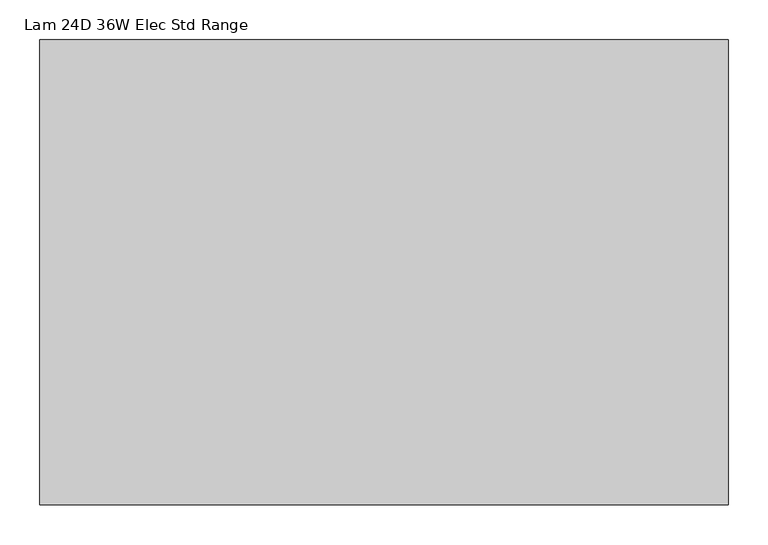
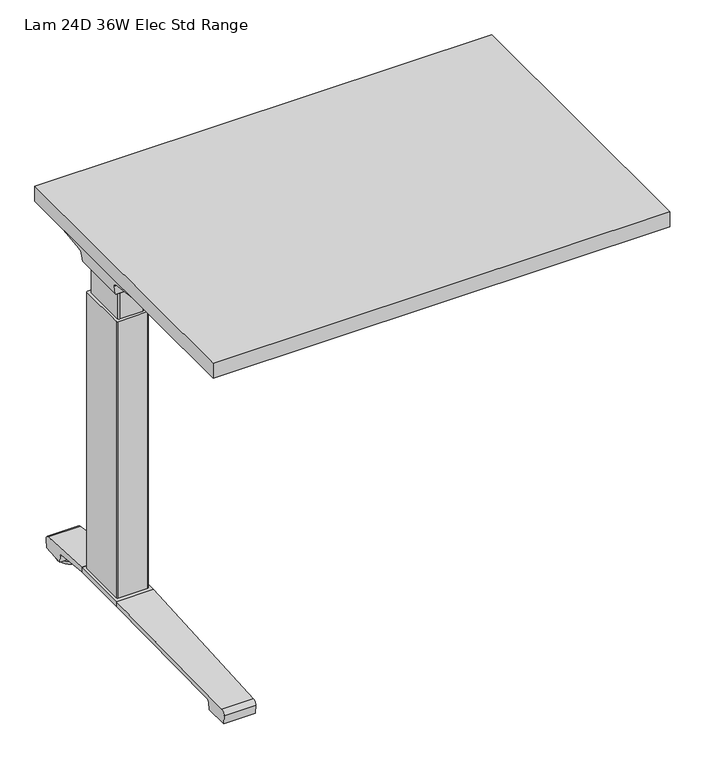
"""IFC4 building model written with IfcOpenShell, lengths in millimetres: furniture geometry, Lam 24D 36W Elec Std Range."""

from ifc_helpers import new_model, si_unit, point, frame, frame_2d, origin, place, context, project, spatial, polyline, circle_curve, ellipse_curve, trimmed, segment, composite_curve, outline, extrude, source, transform, mapped, element, save
from ifc_brep_helpers import plane_surface, cylinder_surface, revolved_surface, advanced_brep


def lam_24d_36w_elec_std_range_5bda7f7e(model_context):
    return source(origin(), model_context, "Body", "SolidModel", [
        extrude(outline(polyline([(430.276, 290.576), (430.276, -290.576), (-430.276, -290.576), (-430.276, 290.576), (430.276, 290.576)])), frame((0.0, 0.0, 707.009), z_axis=(0.0, 0.0, 1.0), x_axis=(1.0, 0.0, 0.0)), (0.0, 0.0, 1.0), 29.591),
        advanced_brep(
        [(-413.9406297, 162.7292702, 658.5915733), (-248.2122138, 162.7292702, 658.5915733), (-262.5924181, 160.5008169, 655.9442785), (-411.4518591, 160.5008169, 655.9442785), (-414.1625278, 162.738256, 658.8276054), (-416.5619089, 163.3822827, 675.7443054), (-233.7773962, 163.3822827, 675.7443054), (-233.7773962, 163.0342965, 666.6037253), (-236.6075093, 162.9531058, 664.4710821), (-236.7501644, 162.8754397, 662.4310191), (-417.4185362, 168.8493181, 681.7839076), (-233.7773962, 168.8493181, 681.7839076), (-419.9393767, 283.4205225, 699.5569507), (-355.7243442, 283.4205225, 699.5569507), (-233.7773962, 202.6158, 687.0219877), (-420.0128152, 287.1965275, 700.0747243), (-361.4229255, 287.1965275, 700.0747243), (-420.6871296, 288.7067839, 704.8289399), (-418.9021288, 286.1298888, 707.009), (-359.8132011, 286.1298888, 707.009), (-420.6871296, -70.2667839, 704.8289399), (-420.0128152, -68.7565275, 700.0747243), (-361.4229255, -68.7565275, 700.0747243), (-359.8132011, -67.6898888, 707.009), (-418.9021288, -67.6898888, 707.009), (-419.9393767, -64.9805225, 699.5569507), (-355.7243442, -64.9805225, 699.5569507), (-417.4185362, 49.5906819, 681.7839076), (-233.7773962, 49.5906819, 681.7839076), (-233.7773962, 15.8242, 687.0219877), (-416.5619089, 55.0577173, 675.7443054), (-233.7773962, 55.0577173, 675.7443054), (-414.1625278, 55.701744, 658.8276054), (-413.9406297, 55.7107298, 658.5915733), (-248.2122138, 55.7107298, 658.5915733), (-236.7501644, 55.5645603, 662.4310191), (-236.6075093, 55.4868942, 664.4710821), (-233.7773962, 55.4057035, 666.6037253), (-411.4518591, 57.9391831, 655.9442785), (-262.5924181, 57.9391831, 655.9442785), (-233.7773962, 15.8242, 707.009), (-233.7773962, 202.6158, 707.009)],
        [
            (0, 1),
            (1, 2, ellipse_curve(frame((-272.4936465, 239.7670009, 750.1086722), z_axis=(0.0, 0.7650318638532662, -0.6439924279750482), x_axis=(0.0, 0.6439924279750482, 0.7650318638532662)), 123.7641411, 94.6835116)),
            (2, 3),
            (3, 0),
            (0, 4),
            (4, 5),
            (5, 6),
            (6, 7),
            (7, 8),
            (8, 9),
            (9, 1, ellipse_curve(frame((-272.4936465, 166.2133686, 750.1086722), z_axis=(0.0, 0.999276106683639, -0.03804290487316255), x_axis=(0.0, 0.03804290487316397, 0.999276106683639)), 94.752102, 94.6835116)),
            (5, 10, ellipse_curve(frame((-416.5119691, 169.8408409, 675.3922075), z_axis=(-0.990090671484964, 0.0, -0.14042956326377007), x_axis=(-0.1404295632637696, 0.0, 0.990090671484964)), 6.5328852, 6.4681487)),
            (10, 11),
            (11, 6, circle_curve(frame((-233.7773962, 169.8408409, 675.3922075), z_axis=(1.0, 0.0, 0.0), x_axis=(0.0, 1.0, 0.0)), 6.4681487)),
            (10, 12),
            (12, 13),
            (13, 14),
            (14, 11),
            (12, 15),
            (15, 16),
            (16, 13),
            (15, 17, ellipse_curve(frame((-420.4730772, 285.2194111, 703.3197755), z_axis=(0.990090671484964, 0.0, 0.14042956326377007), x_axis=(0.1404295632637696, 0.0, -0.990090671484964)), 3.8379455, 3.7999141)),
            (17, 18, ellipse_curve(frame((-421.922811, 285.2194111, 703.3197755), z_axis=(0.7737284588433301, 0.0, -0.6335173809580328), x_axis=(0.6335173809580328, 0.0, 0.77372845884333)), 4.9111727, 3.7999141)),
            (18, 19),
            (19, 16, ellipse_curve(frame((-358.439148, 285.2194111, 703.3197755), z_axis=(-0.5523637579767777, -0.8336031902972613, 0.0), x_axis=(0.8336031902972612, -0.5523637579767778, 0.0)), 6.8793689, 3.7999141)),
            (20, 21, ellipse_curve(frame((-420.4730772, -66.7794111, 703.3197755), z_axis=(0.990090671484964, 0.0, 0.14042956326377007), x_axis=(0.1404295632637696, 0.0, -0.990090671484964)), 3.8379455, 3.7999141)),
            (21, 22),
            (22, 23, ellipse_curve(frame((-358.439148, -66.7794111, 703.3197755), z_axis=(-0.5523637579750462, 0.8336031902984086, 0.0), x_axis=(0.8336031902984083, 0.5523637579750462, 0.0)), 6.8793689, 3.7999141)),
            (23, 24),
            (24, 20, ellipse_curve(frame((-421.922811, -66.7794111, 703.3197755), z_axis=(0.7737284588433301, 0.0, -0.6335173809580328), x_axis=(0.6335173809580328, 0.0, 0.77372845884333)), 4.9111727, 3.7999141)),
            (21, 25),
            (25, 26),
            (26, 22),
            (27, 28),
            (28, 29),
            (29, 26),
            (25, 27),
            (27, 30, ellipse_curve(frame((-416.5119691, 48.5991591, 675.3922075), z_axis=(-0.990090671484964, 0.0, -0.14042956326377007), x_axis=(-0.1404295632637696, 0.0, 0.990090671484964)), 6.5328852, 6.4681487)),
            (30, 31),
            (31, 28, circle_curve(frame((-233.7773962, 48.5991591, 675.3922075), z_axis=(1.0, 0.0, 0.0), x_axis=(0.0, 1.0, 0.0)), 6.4681487)),
            (30, 32),
            (32, 33),
            (33, 34),
            (34, 35, ellipse_curve(frame((-272.4936465, 52.2266314, 750.1086722), z_axis=(0.0, -0.9992761066836363, -0.03804290487323539), x_axis=(0.0, 0.03804290487323121, -0.9992761066836364)), 94.752102, 94.6835116)),
            (35, 36),
            (36, 37),
            (37, 31),
            (33, 38),
            (38, 39),
            (39, 34, ellipse_curve(frame((-272.4936465, -21.3270009, 750.1086722), z_axis=(0.0, -0.7650318638534733, -0.643992427974802), x_axis=(0.0, 0.643992427974802, -0.7650318638534732)), 123.7641411, 94.6835116)),
            (4, 32),
            (20, 17),
            (24, 18),
            (23, 40),
            (40, 41),
            (41, 19),
            (37, 7),
            (14, 41),
            (40, 29),
            (36, 8),
            (35, 9),
            (39, 2),
            (38, 3),
        ],
        [
            plane_surface(frame((-436.9773962, 160.5008169, 655.9442785), z_axis=(0.0, 0.7650318638532662, -0.6439924279750482), x_axis=(1.0, 0.0, 0.0))),
            plane_surface(frame((-436.9773962, 162.7292702, 658.5915733), z_axis=(0.0, 0.999276106683639, -0.03804290487316255), x_axis=(1.0, 0.0, 0.0))),
            revolved_surface(polyline([(-417.42937931548835, 176.3089896, 675.3922075), (-233.7773962, 176.3089896, 675.3922075)]), (-436.9773962, 169.8408409, 675.3922075), (-1.0, 0.0, 0.0)),
            plane_surface(frame((-436.9773962, 168.8493181, 681.7839076), z_axis=(0.0, 0.153293135871396, -0.9881807600306302), x_axis=(1.0, 0.0, 0.0))),
            plane_surface(frame((-436.9773962, 283.4205225, 699.5569507), z_axis=(0.0, 0.13585085469026903, -0.9907292996979162), x_axis=(1.0, 0.0, 0.0))),
            cylinder_surface(frame((-436.9773962, 285.2194111, 703.3197755), z_axis=(1.0, 0.0, 0.0), x_axis=(0.0, 1.0, 0.0)), 3.7999141),
            cylinder_surface(frame((-436.9773962, -66.7794111, 703.3197755), z_axis=(1.0, 0.0, 0.0), x_axis=(0.0, 1.0, 0.0)), 3.7999141),
            plane_surface(frame((-436.9773962, -68.7565275, 700.0747243), z_axis=(0.0, -0.13585085468791205, -0.9907292996982394), x_axis=(1.0, 0.0, 0.0))),
            plane_surface(frame((-436.9773962, -64.9805225, 699.5569507), z_axis=(0.0, -0.1532931358714066, -0.9881807600306285), x_axis=(1.0, 0.0, 0.0))),
            revolved_surface(polyline([(-417.42937931548835, 55.0673078, 675.3922075), (-233.7773962, 55.0673078, 675.3922075)]), (-436.9773962, 48.5991591, 675.3922075), (-1.0, 0.0, 0.0)),
            plane_surface(frame((-436.9773962, 55.0577173, 675.7443054), z_axis=(0.0, -0.9992761066836363, -0.03804290487323539), x_axis=(1.0, 0.0, 0.0))),
            plane_surface(frame((-436.9773962, 55.7107298, 658.5915733), z_axis=(0.0, -0.7650318638534733, -0.643992427974802), x_axis=(1.0, 0.0, 0.0))),
            plane_surface(frame((-414.1625278, 299.72, 658.8276054), z_axis=(-0.990090671484964, 0.0, -0.14042956326377007), x_axis=(0.0, -1.0, 0.0))),
            plane_surface(frame((-420.6871296, 299.72, 704.8289399), z_axis=(-0.7737284588433301, 0.0, 0.6335173809580328), x_axis=(0.0, -1.0, 0.0))),
            plane_surface(frame((-418.9021288, 299.72, 707.009), z_axis=(0.0, 0.0, 1.0), x_axis=(0.0, -1.0, 0.0))),
            plane_surface(frame((-233.7773962, 299.72, 707.009), z_axis=(1.0, 0.0, 0.0), x_axis=(0.0, -1.0, 0.0))),
            plane_surface(frame((-233.7773962, 299.72, 666.6037253), z_axis=(0.6018150231516275, 0.0, -0.7986355100476099), x_axis=(0.0, -1.0, 0.0))),
            plane_surface(frame((-236.6075093, 299.72, 664.4710821), z_axis=(0.9975640502600401, 0.0, -0.06975647374103827), x_axis=(0.0, -1.0, 0.0))),
            cylinder_surface(frame((-272.4936465, 299.72, 750.1086722), z_axis=(0.0, 1.0, 0.0), x_axis=(1.0, 0.0, 0.0)), 94.6835116),
            plane_surface(frame((-262.5924181, 299.72, 655.9442785), z_axis=(0.0, 0.0, -1.0), x_axis=(0.0, -1.0, 0.0))),
            plane_surface(frame((-411.4518591, 299.72, 655.9442785), z_axis=(-0.728584606419653, 0.0, -0.6849558170337118), x_axis=(0.0, -1.0, 0.0))),
            plane_surface(frame((-380.3228017, 299.72, 707.009), z_axis=(0.5523637579767777, 0.8336031902972613, 0.0), x_axis=(0.0, 0.0, -1.0))),
            plane_surface(frame((-233.7773962, 15.8242, 707.009), z_axis=(0.5523637579750462, -0.8336031902984086, 0.0), x_axis=(0.0, 0.0, -1.0))),
        ],
        [
            (0, [[1, 2, 3, 4]]),
            (1, [[-1, 5, 6, 7, 8, 9, 10, 11]]),
            (2, [[-7, 12, 13, 14]]),
            (3, [[-13, 15, 16, 17, 18]]),
            (4, [[19, 20, 21, -16]]),
            (5, [[22, 23, 24, 25, -20]]),
            (6, [[26, 27, 28, 29, 30]]),
            (7, [[31, 32, 33, -27]]),
            (8, [[34, 35, 36, -32, 37]]),
            (9, [[-34, 38, 39, 40]]),
            (10, [[-39, 41, 42, 43, 44, 45, 46, 47]]),
            (11, [[-43, 48, 49, 50]]),
            (12, [[51, -41, -38, -37, -31, -26, 52, -22, -19, -15, -12, -6]]),
            (13, [[-52, -30, 53, -23]]),
            (14, [[-53, -29, 54, 55, 56, -24]]),
            (15, [[57, -8, -14, -18, 58, -55, 59, -35, -40, -47]]),
            (16, [[-57, -46, 60, -9]]),
            (17, [[-60, -45, 61, -10]]),
            (18, [[-61, -44, -50, 62, -2, -11]]),
            (19, [[-62, -49, 63, -3]]),
            (20, [[-51, -5, -4, -63, -48, -42]]),
            (21, [[-56, -58, -17, -21, -25]]),
            (22, [[-54, -28, -33, -36, -59]]),
        ],
    ),
        advanced_brep(
        [(248.2122138, 162.7292702, 658.5915733), (413.9406297, 162.7292702, 658.5915733), (411.4518591, 160.5008169, 655.9442785), (262.5924181, 160.5008169, 655.9442785), (236.7501644, 162.8754397, 662.4310191), (236.6075093, 162.9531058, 664.4710821), (233.9619573, 163.0290018, 666.4646485), (233.9619573, 163.3822827, 675.7443054), (416.5619089, 163.3822827, 675.7443054), (414.1625278, 162.738256, 658.8276054), (233.9619573, 168.8493181, 681.7839076), (417.4185362, 168.8493181, 681.7839076), (233.9619573, 202.6089953, 687.0209321), (355.7570453, 283.4205225, 699.5569507), (419.9393767, 283.4205225, 699.5569507), (420.0128152, 287.1965275, 700.0747243), (361.4480509, 287.1965275, 700.0747243), (420.6871296, 288.7067839, 704.8289399), (359.8404665, 286.1298888, 707.009), (418.9021288, 286.1298888, 707.009), (420.0128152, -68.7565275, 700.0747243), (420.6871296, -70.2667839, 704.8289399), (418.9021288, -67.6898888, 707.009), (359.8404665, -67.6898888, 707.009), (361.4480509, -68.7565275, 700.0747243), (419.9393767, -64.9805225, 699.5569507), (355.7570453, -64.9805225, 699.5569507), (233.9619573, 49.5906819, 681.7839076), (417.4185362, 49.5906819, 681.7839076), (233.9619573, 15.8310047, 687.0209321), (233.9619573, 55.0577173, 675.7443054), (416.5619089, 55.0577173, 675.7443054), (233.9619573, 55.4109982, 666.4646485), (236.6075093, 55.4868942, 664.4710821), (236.7501644, 55.5645603, 662.4310191), (248.2122138, 55.7107298, 658.5915733), (413.9406297, 55.7107298, 658.5915733), (414.1625278, 55.701744, 658.8276054), (262.5924181, 57.9391831, 655.9442785), (411.4518591, 57.9391831, 655.9442785), (233.9619573, 202.6089953, 707.009), (233.9619573, 15.8310047, 707.009)],
        [
            (0, 1),
            (1, 2),
            (2, 3),
            (3, 0, ellipse_curve(frame((272.4936465, 239.7670009, 750.1086722), z_axis=(0.0, 0.7650318638532565, -0.6439924279750596), x_axis=(0.0, -0.6439924279750596, -0.7650318638532564)), 123.7641411, 94.6835116)),
            (0, 4, ellipse_curve(frame((272.4936465, 166.2133686, 750.1086722), z_axis=(0.0, 0.9992761066836392, -0.03804290487315862), x_axis=(0.0, -0.03804290487315623, -0.9992761066836393)), 94.752102, 94.6835116)),
            (4, 5),
            (5, 6),
            (6, 7),
            (7, 8),
            (8, 9),
            (9, 1),
            (7, 10, circle_curve(frame((233.9619573, 169.8408409, 675.3922075), z_axis=(-1.0, 0.0, 0.0), x_axis=(0.0, 1.0, 0.0)), 6.4681487)),
            (10, 11),
            (11, 8, ellipse_curve(frame((416.5119691, 169.8408409, 675.3922075), z_axis=(0.9900906714849659, 0.0, -0.1404295632637567), x_axis=(-0.1404295632637562, 0.0, -0.9900906714849659)), 6.5328852, 6.4681487)),
            (10, 12),
            (12, 13),
            (13, 14),
            (14, 11),
            (15, 14),
            (13, 16),
            (16, 15),
            (17, 15, ellipse_curve(frame((420.4730772, 285.2194111, 703.3197755), z_axis=(-0.9900906714849659, 0.0, 0.1404295632637567), x_axis=(0.1404295632637562, 0.0, 0.9900906714849659)), 3.8379455, 3.7999141)),
            (16, 18, ellipse_curve(frame((358.46824, 285.2194111, 703.3197755), z_axis=(0.5528743936295599, -0.833264606753909, 0.0), x_axis=(0.8332646067539088, 0.5528743936295599, 0.0)), 6.8730151, 3.7999141)),
            (18, 19),
            (19, 17, ellipse_curve(frame((421.922811, 285.2194111, 703.3197755), z_axis=(-0.7737284588399557, 0.0, -0.633517380962154), x_axis=(0.6335173809621538, 0.0, -0.7737284588399556)), 4.9111727, 3.7999141)),
            (20, 21, ellipse_curve(frame((420.4730772, -66.7794111, 703.3197755), z_axis=(-0.9900906714849659, 0.0, 0.1404295632637567), x_axis=(0.1404295632637562, 0.0, 0.9900906714849659)), 3.8379455, 3.7999141)),
            (21, 22, ellipse_curve(frame((421.922811, -66.7794111, 703.3197755), z_axis=(-0.7737284588399557, 0.0, -0.633517380962154), x_axis=(0.6335173809621538, 0.0, -0.7737284588399556)), 4.9111727, 3.7999141)),
            (22, 23),
            (23, 24, ellipse_curve(frame((358.46824, -66.7794111, 703.3197755), z_axis=(0.5528743936295385, 0.8332646067539232, 0.0), x_axis=(0.8332646067539231, -0.5528743936295386, 0.0)), 6.8730151, 3.7999141)),
            (24, 20),
            (25, 20),
            (24, 26),
            (26, 25),
            (27, 28),
            (28, 25),
            (26, 29),
            (29, 27),
            (27, 30, circle_curve(frame((233.9619573, 48.5991591, 675.3922075), z_axis=(-1.0, 0.0, 0.0), x_axis=(0.0, 1.0, 0.0)), 6.4681487)),
            (30, 31),
            (31, 28, ellipse_curve(frame((416.5119691, 48.5991591, 675.3922075), z_axis=(0.9900906714849659, 0.0, -0.1404295632637567), x_axis=(-0.1404295632637562, 0.0, -0.9900906714849659)), 6.5328852, 6.4681487)),
            (30, 32),
            (32, 33),
            (33, 34),
            (34, 35, ellipse_curve(frame((272.4936465, 52.2266314, 750.1086722), z_axis=(0.0, -0.9992761066836363, -0.03804290487323539), x_axis=(0.0, -0.03804290487323121, 0.9992761066836364)), 94.752102, 94.6835116)),
            (35, 36),
            (36, 37),
            (37, 31),
            (35, 38, ellipse_curve(frame((272.4936465, -21.3270009, 750.1086722), z_axis=(0.0, -0.7650318638534733, -0.643992427974802), x_axis=(0.0, -0.643992427974802, 0.7650318638534732)), 123.7641411, 94.6835116)),
            (38, 39),
            (39, 36),
            (37, 9),
            (17, 21),
            (19, 22),
            (18, 40),
            (40, 41),
            (41, 23),
            (6, 32),
            (29, 41),
            (40, 12),
            (5, 33),
            (4, 34),
            (3, 38),
            (2, 39),
        ],
        [
            plane_surface(frame((233.9619573, 160.5008169, 655.9442785), z_axis=(0.0, 0.7650318638532565, -0.6439924279750596), x_axis=(1.0, 0.0, 0.0))),
            plane_surface(frame((233.9619573, 162.7292702, 658.5915733), z_axis=(0.0, 0.9992761066836392, -0.03804290487315862), x_axis=(1.0, 0.0, 0.0))),
            revolved_surface(polyline([(233.9619573, 176.3089896, 675.3922075), (417.42937931548823, 176.3089896, 675.3922075)]), (233.9619573, 169.8408409, 675.3922075), (-1.0, 0.0, 0.0)),
            plane_surface(frame((233.9619573, 168.8493181, 681.7839076), z_axis=(0.0, 0.15329313587140309, -0.988180760030629), x_axis=(1.0, 0.0, 0.0))),
            plane_surface(frame((233.9619573, 283.4205225, 699.5569507), z_axis=(0.0, 0.1358508546900816, -0.9907292996979419), x_axis=(1.0, 0.0, 0.0))),
            cylinder_surface(frame((233.9619573, 285.2194111, 703.3197755), z_axis=(1.0, 0.0, 0.0), x_axis=(0.0, 1.0, 0.0)), 3.7999141),
            cylinder_surface(frame((233.9619573, -66.7794111, 703.3197755), z_axis=(1.0, 0.0, 0.0), x_axis=(0.0, 1.0, 0.0)), 3.7999141),
            plane_surface(frame((233.9619573, -68.7565275, 700.0747243), z_axis=(0.0, -0.1358508546877776, -0.9907292996982578), x_axis=(1.0, 0.0, 0.0))),
            plane_surface(frame((233.9619573, -64.9805225, 699.5569507), z_axis=(0.0, -0.15329313587141113, -0.9881807600306277), x_axis=(1.0, 0.0, 0.0))),
            revolved_surface(polyline([(233.9619573, 55.0673078, 675.3922075), (417.42937931548823, 55.0673078, 675.3922075)]), (233.9619573, 48.5991591, 675.3922075), (-1.0, 0.0, 0.0)),
            plane_surface(frame((233.9619573, 55.0577173, 675.7443054), z_axis=(0.0, -0.9992761066836363, -0.03804290487323539), x_axis=(1.0, 0.0, 0.0))),
            plane_surface(frame((233.9619573, 55.7107298, 658.5915733), z_axis=(0.0, -0.7650318638534733, -0.643992427974802), x_axis=(1.0, 0.0, 0.0))),
            plane_surface(frame((414.1625278, -81.28, 658.8276054), z_axis=(0.9900906714849659, 0.0, -0.1404295632637567), x_axis=(0.0, 1.0, 0.0))),
            plane_surface(frame((420.6871296, -81.28, 704.8289399), z_axis=(0.7737284588399557, 0.0, 0.633517380962154), x_axis=(0.0, 1.0, 0.0))),
            plane_surface(frame((418.9021288, -81.28, 707.009), z_axis=(0.0, 0.0, 1.0), x_axis=(0.0, 1.0, 0.0))),
            plane_surface(frame((233.9619573, -81.28, 707.009), z_axis=(-1.0, 0.0, 0.0), x_axis=(0.0, 1.0, 0.0))),
            plane_surface(frame((233.9619573, -81.28, 666.4646485), z_axis=(-0.6018150231540825, 0.0, -0.7986355100457599), x_axis=(0.0, 1.0, 0.0))),
            plane_surface(frame((236.6075093, -81.28, 664.4710821), z_axis=(-0.9975640502598242, 0.0, -0.06975647374412697), x_axis=(0.0, 1.0, 0.0))),
            cylinder_surface(frame((272.4936465, -81.28, 750.1086722), z_axis=(0.0, -1.0, 0.0), x_axis=(-1.0, 0.0, 0.0)), 94.6835116),
            plane_surface(frame((262.5924181, -81.28, 655.9442785), z_axis=(0.0, 0.0, -1.0), x_axis=(0.0, 1.0, 0.0))),
            plane_surface(frame((411.4518591, -81.28, 655.9442785), z_axis=(0.7285846064222696, 0.0, -0.6849558170309284), x_axis=(0.0, 1.0, 0.0))),
            plane_surface(frame((233.9619573, 202.6089953, 707.009), z_axis=(-0.5528743936295599, 0.833264606753909, 0.0), x_axis=(0.0, 0.0, -1.0))),
            plane_surface(frame((380.3228017, -81.28, 707.009), z_axis=(-0.5528743936295385, -0.8332646067539232, 0.0), x_axis=(0.0, 0.0, -1.0))),
        ],
        [
            (0, [[1, 2, 3, 4]]),
            (1, [[-1, 5, 6, 7, 8, 9, 10, 11]]),
            (2, [[-9, 12, 13, 14]]),
            (3, [[-13, 15, 16, 17, 18]]),
            (4, [[19, -17, 20, 21]]),
            (5, [[22, -21, 23, 24, 25]]),
            (6, [[26, 27, 28, 29, 30]]),
            (7, [[31, -30, 32, 33]]),
            (8, [[34, 35, -33, 36, 37]]),
            (9, [[-34, 38, 39, 40]]),
            (10, [[-39, 41, 42, 43, 44, 45, 46, 47]]),
            (11, [[-45, 48, 49, 50]]),
            (12, [[51, -10, -14, -18, -19, -22, 52, -26, -31, -35, -40, -47]]),
            (13, [[-52, -25, 53, -27]]),
            (14, [[-53, -24, 54, 55, 56, -28]]),
            (15, [[57, -41, -38, -37, 58, -55, 59, -15, -12, -8]]),
            (16, [[-57, -7, 60, -42]]),
            (17, [[-60, -6, 61, -43]]),
            (18, [[-61, -5, -4, 62, -48, -44]]),
            (19, [[-62, -3, 63, -49]]),
            (20, [[-51, -46, -50, -63, -2, -11]]),
            (21, [[-54, -23, -20, -16, -59]]),
            (22, [[-56, -58, -36, -32, -29]]),
        ],
    ),
        advanced_brep(
        [(-233.7773962, 187.9031697, 701.7794894), (-233.7773962, 189.6675242, 704.0075511), (-233.7773962, 200.6481225, 704.0075511), (-233.7773962, 201.3782919, 701.4093085), (-233.7773962, 179.9519108, 671.8462148), (-233.7773962, 162.5510914, 663.2452863), (-233.7773962, 55.7632156, 663.2452863), (-233.7773962, 38.1354217, 672.2997482), (-233.7773962, 16.8007138, 702.0706054), (-233.7773962, 18.4392766, 704.1266572), (-233.7773962, 28.6544098, 704.1266572), (-233.7773962, 30.5253848, 701.7794894), (-233.7773962, 29.7841637, 701.2423822), (-233.7773962, 28.2139363, 703.2122572), (-233.7773962, 18.5353238, 703.2122572), (-233.7773962, 17.7294351, 702.3444366), (-233.7773962, 38.8786744, 672.8323858), (-233.7773962, 55.7632156, 664.1598536), (-233.7773962, 162.5510914, 664.1596863), (-233.7773962, 179.21844, 672.3923713), (-233.7773962, 200.5721627, 701.8552144), (-233.7773962, 200.3148942, 703.0931511), (-233.7773962, 190.109809, 703.0931511), (-233.7773962, 188.6442719, 701.2424419), (233.9619573, 187.9031697, 701.7794894), (233.9619573, 188.6442719, 701.2424419), (233.9619573, 190.109809, 703.0931511), (233.9619573, 200.3148942, 703.0931511), (233.9619573, 200.5721627, 701.8552144), (233.9619573, 179.21844, 672.3923713), (233.9619573, 162.5510914, 664.1596863), (233.9619573, 55.7632155, 664.1596863), (233.9619573, 38.8786744, 672.8323858), (233.9619573, 17.7294351, 702.3444366), (233.9619573, 18.5353238, 703.2122572), (233.9619573, 28.2139363, 703.2122572), (233.9619573, 29.7841637, 701.2423822), (233.9619573, 30.5253848, 701.7794894), (233.9619573, 28.6544098, 704.1266572), (233.9619573, 18.4392766, 704.1266572), (233.9619573, 16.8007138, 702.0706054), (233.9619573, 38.1354217, 672.2997482), (233.9619573, 55.7632156, 663.2454536), (233.9619573, 162.5510914, 663.2452863), (233.9619573, 179.9519108, 671.8462148), (233.9619573, 201.3782919, 701.4093085), (233.9619573, 200.6481225, 704.0075511), (233.9619573, 189.6675242, 704.0075511)],
        [
            (0, 1),
            (1, 2),
            (2, 3, circle_curve(frame((-233.7773962, 199.4305576, 702.2636667), z_axis=(-1.0, 0.0, 0.0), x_axis=(0.0, 1.0, 0.0)), 2.1268749)),
            (3, 4),
            (4, 5, circle_curve(frame((-233.7773962, 162.5510914, 685.1478336), z_axis=(-1.0, 0.0, 0.0), x_axis=(0.0, 1.0, 0.0)), 21.9025472)),
            (5, 6),
            (6, 7, circle_curve(frame((-233.7773962, 55.7632156, 684.932365), z_axis=(-1.0, 0.0, 0.0), x_axis=(0.0, 1.0, 0.0)), 21.6869114)),
            (7, 8),
            (8, 9, circle_curve(frame((-233.7773962, 18.8010635, 702.1573833), z_axis=(-1.0, 0.0, 0.0), x_axis=(0.0, 1.0, 0.0)), 2.0022311)),
            (9, 10),
            (10, 11),
            (11, 12),
            (12, 13),
            (13, 14),
            (14, 15, circle_curve(frame((-233.7773962, 18.8010635, 702.1573833), z_axis=(1.0, 0.0, 0.0), x_axis=(0.0, 1.0, 0.0)), 1.0878311)),
            (15, 16),
            (16, 17, circle_curve(frame((-233.7773962, 55.7632156, 684.932365), z_axis=(1.0, 0.0, 0.0), x_axis=(0.0, 1.0, 0.0)), 20.7725114)),
            (17, 18),
            (18, 19, circle_curve(frame((-233.7773962, 162.5510914, 685.1478336), z_axis=(1.0, 0.0, 0.0), x_axis=(0.0, 1.0, 0.0)), 20.9881473)),
            (19, 20),
            (20, 21, circle_curve(frame((-233.7773962, 199.4305576, 702.2636667), z_axis=(1.0, 0.0, 0.0), x_axis=(0.0, 1.0, 0.0)), 1.2124749)),
            (21, 22),
            (22, 23),
            (23, 0),
            (24, 25),
            (25, 26),
            (26, 27),
            (27, 28, circle_curve(frame((233.9619573, 199.4305576, 702.2636667), z_axis=(-1.0, 0.0, 0.0), x_axis=(0.0, 1.0, 0.0)), 1.2124749)),
            (28, 29),
            (29, 30, circle_curve(frame((233.9619573, 162.5510914, 685.1478336), z_axis=(-1.0, 0.0, 0.0), x_axis=(0.0, 1.0, 0.0)), 20.9881473)),
            (30, 31),
            (31, 32, circle_curve(frame((233.9619573, 55.7632156, 684.932365), z_axis=(-1.0, 0.0, 0.0), x_axis=(0.0, 1.0, 0.0)), 20.7725114)),
            (32, 33),
            (33, 34, circle_curve(frame((233.9619573, 18.8010635, 702.1573833), z_axis=(-1.0, 0.0, 0.0), x_axis=(0.0, 1.0, 0.0)), 1.0878311)),
            (34, 35),
            (35, 36),
            (36, 37),
            (37, 38),
            (38, 39),
            (39, 40, circle_curve(frame((233.9619573, 18.8010635, 702.1573833), z_axis=(1.0, 0.0, 0.0), x_axis=(0.0, 1.0, 0.0)), 2.0022311)),
            (40, 41),
            (41, 42, circle_curve(frame((233.9619573, 55.7632156, 684.932365), z_axis=(1.0, 0.0, 0.0), x_axis=(0.0, 1.0, 0.0)), 21.6869114)),
            (42, 43),
            (43, 44, circle_curve(frame((233.9619573, 162.5510914, 685.1478336), z_axis=(1.0, 0.0, 0.0), x_axis=(0.0, 1.0, 0.0)), 21.9025472)),
            (44, 45),
            (45, 46, circle_curve(frame((233.9619573, 199.4305576, 702.2636667), z_axis=(1.0, 0.0, 0.0), x_axis=(0.0, 1.0, 0.0)), 2.1268749)),
            (46, 47),
            (47, 24),
            (0, 24),
            (47, 1),
            (46, 2),
            (45, 3),
            (44, 4),
            (43, 5),
            (42, 6),
            (41, 7),
            (40, 8),
            (39, 9),
            (38, 10),
            (37, 11),
            (36, 12),
            (35, 13),
            (34, 14),
            (33, 15),
            (32, 16),
            (31, 17),
            (30, 18),
            (29, 19),
            (28, 20),
            (27, 21),
            (26, 22),
            (25, 23),
        ],
        [
            plane_surface(frame((-233.7773962, 109.22, 707.009), z_axis=(-1.0, 0.0, 0.0), x_axis=(0.0, 0.0, 1.0))),
            plane_surface(frame((233.9619573, 109.22, 707.009), z_axis=(1.0, 0.0, 0.0), x_axis=(0.0, 0.0, 1.0))),
            plane_surface(frame((-233.7773962, 187.9031697, 701.7794894), z_axis=(0.0, -0.7839649337165058, 0.6208051084703434), x_axis=(1.0, 0.0, 0.0))),
            plane_surface(frame((-233.7773962, 189.6675242, 704.0075511), z_axis=(0.0, 0.0, 1.0), x_axis=(1.0, 0.0, 0.0))),
            cylinder_surface(frame((-233.7773962, 199.4305576, 702.2636667), z_axis=(-1.0, 0.0, 0.0), x_axis=(0.0, 1.0, 0.0)), 2.1268749),
            plane_surface(frame((-233.7773962, 201.3782919, 701.4093085), z_axis=(0.0, 0.8096997445281038, -0.586844377762217), x_axis=(1.0, 0.0, 0.0))),
            cylinder_surface(frame((-233.7773962, 162.5510914, 685.1478336), z_axis=(-1.0, 0.0, 0.0), x_axis=(0.0, 1.0, 0.0)), 21.9025472),
            plane_surface(frame((-233.7773962, 162.5510914, 663.2452863), z_axis=(0.0, 0.0, -1.0), x_axis=(1.0, 0.0, 0.0))),
            cylinder_surface(frame((-233.7773962, 55.7632156, 684.932365), z_axis=(-1.0, 0.0, 0.0), x_axis=(0.0, 1.0, 0.0)), 21.6869114),
            plane_surface(frame((-233.7773962, 38.1354217, 672.2997482), z_axis=(0.0, -0.8128309997561537, -0.5824995844079305), x_axis=(1.0, 0.0, 0.0))),
            cylinder_surface(frame((-233.7773962, 18.8010635, 702.1573833), z_axis=(-1.0, 0.0, 0.0), x_axis=(0.0, 1.0, 0.0)), 2.0022311),
            plane_surface(frame((-233.7773962, 18.4392766, 704.1266572), z_axis=(0.0, 0.0, 1.0), x_axis=(1.0, 0.0, 0.0))),
            plane_surface(frame((-233.7773962, 28.6544098, 704.1266572), z_axis=(0.0, 0.7819660587237972, 0.6233210112004657), x_axis=(1.0, 0.0, 0.0))),
            plane_surface(frame((-233.7773962, 30.5253848, 701.7794894), z_axis=(0.0, 0.5867684336468096, -0.8097547809526473), x_axis=(1.0, 0.0, 0.0))),
            plane_surface(frame((-233.7773962, 29.7841637, 701.2423822), z_axis=(0.0, -0.7819660587239206, -0.6233210112003109), x_axis=(1.0, 0.0, 0.0))),
            plane_surface(frame((-233.7773962, 28.2139363, 703.2122572), z_axis=(0.0, 0.0, -1.0), x_axis=(1.0, 0.0, 0.0))),
            revolved_surface(polyline([(233.9619573, 19.8888946, 702.1573833), (-233.7773962, 19.8888946, 702.1573833)]), (-233.7773962, 18.8010635, 702.1573833), (1.0, 0.0, 0.0)),
            plane_surface(frame((-233.7773962, 17.7294351, 702.3444366), z_axis=(0.0, 0.8128309996716102, 0.582499584525904), x_axis=(1.0, 0.0, 0.0))),
            revolved_surface(polyline([(233.9619573, 76.53572700000001, 684.932365), (-233.7773962, 76.53572700000001, 684.932365)]), (-233.7773962, 55.7632156, 684.932365), (1.0, 0.0, 0.0)),
            plane_surface(frame((-233.7773962, 55.7632155, 664.1596863), z_axis=(0.0, 0.0, 1.0), x_axis=(1.0, 0.0, 0.0))),
            revolved_surface(polyline([(233.9619573, 183.5392387, 685.1478336), (-233.7773962, 183.5392387, 685.1478336)]), (-233.7773962, 162.5510914, 685.1478336), (1.0, 0.0, 0.0)),
            plane_surface(frame((-233.7773962, 179.21844, 672.3923713), z_axis=(0.0, -0.8096997449536107, 0.5868443771751228), x_axis=(1.0, 0.0, 0.0))),
            revolved_surface(polyline([(233.9619573, 200.64303249999998, 702.2636667), (-233.7773962, 200.64303249999998, 702.2636667)]), (-233.7773962, 199.4305576, 702.2636667), (1.0, 0.0, 0.0)),
            plane_surface(frame((-233.7773962, 200.3148942, 703.0931511), z_axis=(0.0, 0.0, -1.0), x_axis=(1.0, 0.0, 0.0))),
            plane_surface(frame((-233.7773962, 190.109809, 703.0931511), z_axis=(0.0, 0.7839649337164979, -0.6208051084703533), x_axis=(1.0, 0.0, 0.0))),
            plane_surface(frame((-233.7773962, 188.6442719, 701.2424419), z_axis=(0.0, -0.5867873637752554, -0.8097410633737715), x_axis=(1.0, 0.0, 0.0))),
        ],
        [
            (0, [[1, 2, 3, 4, 5, 6, 7, 8, 9, 10, 11, 12, 13, 14, 15, 16, 17, 18, 19, 20, 21, 22, 23, 24]]),
            (1, [[25, 26, 27, 28, 29, 30, 31, 32, 33, 34, 35, 36, 37, 38, 39, 40, 41, 42, 43, 44, 45, 46, 47, 48]]),
            (2, [[-1, 49, -48, 50]]),
            (3, [[-2, -50, -47, 51]]),
            (4, [[-3, -51, -46, 52]]),
            (5, [[-4, -52, -45, 53]]),
            (6, [[-5, -53, -44, 54]]),
            (7, [[-6, -54, -43, 55]]),
            (8, [[-7, -55, -42, 56]]),
            (9, [[-8, -56, -41, 57]]),
            (10, [[-9, -57, -40, 58]]),
            (11, [[-10, -58, -39, 59]]),
            (12, [[-11, -59, -38, 60]]),
            (13, [[-12, -60, -37, 61]]),
            (14, [[-13, -61, -36, 62]]),
            (15, [[-14, -62, -35, 63]]),
            (16, [[-15, -63, -34, 64]]),
            (17, [[-16, -64, -33, 65]]),
            (18, [[-17, -65, -32, 66]]),
            (19, [[-18, -66, -31, 67]]),
            (20, [[-19, -67, -30, 68]]),
            (21, [[-20, -68, -29, 69]]),
            (22, [[-21, -69, -28, 70]]),
            (23, [[-22, -70, -27, 71]]),
            (24, [[-23, -71, -26, 72]]),
            (25, [[-24, -72, -25, -49]]),
        ],
    ),
        advanced_brep(
        [(357.5283088, 153.9682497, 655.9442785), (354.7624028, 151.6150111, 655.9442785), (354.7624028, 66.8413858, 655.9442785), (357.8159671, 64.491987, 655.9442785), (401.1299922, 64.4717503, 655.9442785), (404.1895972, 66.8414936, 655.9442785), (404.1895972, 151.6150956, 655.9442785), (401.4236912, 153.9682497, 655.9442785), (357.5283088, 153.9682497, 599.0990785), (401.4236912, 153.9682497, 599.0990785), (404.1895972, 151.6150956, 599.0990785), (404.1895972, 66.8414936, 599.0990785), (401.1360098, 64.4919923, 599.0990785), (357.8220078, 64.4717503, 599.0990785), (354.7624028, 66.8413858, 599.0990785), (354.7624028, 151.6150111, 599.0990785)],
        [
            (0, 1, circle_curve(frame((357.8300788, 150.8114719, 655.9442785), z_axis=(0.0, 0.0, 1.0), x_axis=(1.0, 0.0, 0.0)), 3.1711688)),
            (1, 2),
            (2, 3, circle_curve(frame((357.8159671, 67.651078, 655.9442785), z_axis=(0.0, 0.0, 1.0), x_axis=(1.0, 0.0, 0.0)), 3.1590911)),
            (3, 4),
            (4, 5, circle_curve(frame((401.1360098, 67.651078, 655.9442785), z_axis=(0.0, 0.0, 1.0), x_axis=(1.0, 0.0, 0.0)), 3.1590858)),
            (5, 6),
            (6, 7, circle_curve(frame((401.1219439, 150.8114698, 655.9442785), z_axis=(0.0, 0.0, 1.0), x_axis=(1.0, 0.0, 0.0)), 3.1711687)),
            (7, 0),
            (8, 9),
            (9, 10, circle_curve(frame((401.1219439, 150.8114698, 599.0990785), z_axis=(0.0, 0.0, -1.0), x_axis=(1.0, 0.0, 0.0)), 3.1711687)),
            (10, 11),
            (11, 12, circle_curve(frame((401.1360098, 67.651078, 599.0990785), z_axis=(0.0, 0.0, -1.0), x_axis=(1.0, 0.0, 0.0)), 3.1590858)),
            (12, 13),
            (13, 14, circle_curve(frame((357.8159671, 67.651078, 599.0990785), z_axis=(0.0, 0.0, -1.0), x_axis=(1.0, 0.0, 0.0)), 3.1590911)),
            (14, 15),
            (15, 8, circle_curve(frame((357.8300788, 150.8114719, 599.0990785), z_axis=(0.0, 0.0, -1.0), x_axis=(1.0, 0.0, 0.0)), 3.1711688)),
            (7, 9),
            (8, 0),
            (6, 10),
            (5, 11),
            (4, 12),
            (3, 13),
            (2, 14),
            (1, 15),
        ],
        [
            plane_surface(frame((361.0012476, 150.8114719, 655.9442785), z_axis=(0.0, 0.0, 1.0), x_axis=(0.0, 1.0, 0.0))),
            plane_surface(frame((361.0012476, 150.8114719, 599.0990785), z_axis=(0.0, 0.0, -1.0), x_axis=(0.0, -1.0, 0.0))),
            plane_surface(frame((401.4236912, 153.9682497, 655.9442785), z_axis=(0.0, 1.0, 0.0), x_axis=(0.0, 0.0, -1.0))),
            cylinder_surface(frame((401.1219439, 150.8114698, 599.0990785), z_axis=(0.0, 0.0, 1.0), x_axis=(1.0, 0.0, 0.0)), 3.1711687),
            plane_surface(frame((404.1895972, 66.8414936, 655.9442785), z_axis=(1.0, 0.0, 0.0), x_axis=(0.0, 0.0, -1.0))),
            cylinder_surface(frame((401.1360098, 67.651078, 599.0990785), z_axis=(0.0, 0.0, 1.0), x_axis=(1.0, 0.0, 0.0)), 3.1590858),
            plane_surface(frame((357.8220078, 64.4717503, 655.9442785), z_axis=(0.0, -1.0, 0.0), x_axis=(0.0, 0.0, -1.0))),
            cylinder_surface(frame((357.8159671, 67.651078, 599.0990785), z_axis=(0.0, 0.0, 1.0), x_axis=(1.0, 0.0, 0.0)), 3.1590911),
            plane_surface(frame((354.7624028, 151.6150111, 655.9442785), z_axis=(-1.0, 0.0, 0.0), x_axis=(0.0, 0.0, -1.0))),
            cylinder_surface(frame((357.8300788, 150.8114719, 599.0990785), z_axis=(0.0, 0.0, 1.0), x_axis=(1.0, 0.0, 0.0)), 3.1711688),
        ],
        [
            (0, [[1, 2, 3, 4, 5, 6, 7, 8]]),
            (1, [[9, 10, 11, 12, 13, 14, 15, 16]]),
            (2, [[-8, 17, -9, 18]]),
            (3, [[-7, 19, -10, -17]]),
            (4, [[-6, 20, -11, -19]]),
            (5, [[-5, 21, -12, -20]]),
            (6, [[-4, 22, -13, -21]]),
            (7, [[-3, 23, -14, -22]]),
            (8, [[-2, 24, -15, -23]]),
            (9, [[-1, -18, -16, -24]]),
        ],
    ),
        advanced_brep(
        [(-357.5283088, 153.9682497, 655.9442785), (-401.4236912, 153.9682497, 655.9442785), (-404.1806448, 151.6485241, 655.9442785), (-404.1806448, 66.8084508, 655.9442785), (-401.1360098, 64.4919923, 655.9442785), (-357.8220078, 64.4717503, 655.9442785), (-354.7713552, 66.8083475, 655.9442785), (-354.7713552, 151.6484433, 655.9442785), (-357.5283088, 153.9682497, 599.0990785), (-354.7713552, 151.6484433, 599.0990785), (-354.7713552, 66.8083475, 599.0990785), (-357.8159671, 64.491987, 599.0990785), (-401.1299922, 64.4717503, 599.0990785), (-404.1806448, 66.8084508, 599.0990785), (-404.1806448, 151.6485241, 599.0990785), (-401.4236912, 153.9682497, 599.0990785)],
        [
            (0, 1),
            (1, 2, circle_curve(frame((-401.1219439, 150.8114698, 655.9442785), z_axis=(0.0, 0.0, 1.0), x_axis=(-1.0, 0.0, 0.0)), 3.1711687)),
            (2, 3),
            (3, 4, circle_curve(frame((-401.1360098, 67.651078, 655.9442785), z_axis=(0.0, 0.0, 1.0), x_axis=(-1.0, 0.0, 0.0)), 3.1590858)),
            (4, 5),
            (5, 6, circle_curve(frame((-357.8159671, 67.651078, 655.9442785), z_axis=(0.0, 0.0, 1.0), x_axis=(-1.0, 0.0, 0.0)), 3.1590911)),
            (6, 7),
            (7, 0, circle_curve(frame((-357.8300788, 150.8114719, 655.9442785), z_axis=(0.0, 0.0, 1.0), x_axis=(-1.0, 0.0, 0.0)), 3.1711688)),
            (8, 9, circle_curve(frame((-357.8300788, 150.8114719, 599.0990785), z_axis=(0.0, 0.0, -1.0), x_axis=(-1.0, 0.0, 0.0)), 3.1711688)),
            (9, 10),
            (10, 11, circle_curve(frame((-357.8159671, 67.651078, 599.0990785), z_axis=(0.0, 0.0, -1.0), x_axis=(-1.0, 0.0, 0.0)), 3.1590911)),
            (11, 12),
            (12, 13, circle_curve(frame((-401.1360098, 67.651078, 599.0990785), z_axis=(0.0, 0.0, -1.0), x_axis=(-1.0, 0.0, 0.0)), 3.1590858)),
            (13, 14),
            (14, 15, circle_curve(frame((-401.1219439, 150.8114698, 599.0990785), z_axis=(0.0, 0.0, -1.0), x_axis=(-1.0, 0.0, 0.0)), 3.1711687)),
            (15, 8),
            (0, 8),
            (15, 1),
            (14, 2),
            (13, 3),
            (12, 4),
            (11, 5),
            (10, 6),
            (9, 7),
        ],
        [
            plane_surface(frame((-401.4236912, 153.9682497, 655.9442785), z_axis=(0.0, 0.0, 1.0), x_axis=(-1.0, 0.0, 0.0))),
            plane_surface(frame((-401.4236912, 153.9682497, 599.0990785), z_axis=(0.0, 0.0, -1.0), x_axis=(1.0, 0.0, 0.0))),
            plane_surface(frame((-357.5283088, 153.9682497, 655.9442785), z_axis=(0.0, 1.0, 0.0), x_axis=(0.0, 0.0, -1.0))),
            cylinder_surface(frame((-401.1219439, 150.8114698, 599.0990785), z_axis=(0.0, 0.0, 1.0), x_axis=(-1.0, 0.0, 0.0)), 3.1711687),
            plane_surface(frame((-404.1806448, 151.6485241, 655.9442785), z_axis=(-1.0, 0.0, 0.0), x_axis=(0.0, 0.0, -1.0))),
            cylinder_surface(frame((-401.1360098, 67.651078, 599.0990785), z_axis=(0.0, 0.0, 1.0), x_axis=(-1.0, 0.0, 0.0)), 3.1590858),
            plane_surface(frame((-401.1299922, 64.4717503, 655.9442785), z_axis=(0.0, -1.0, 0.0), x_axis=(0.0, 0.0, -1.0))),
            cylinder_surface(frame((-357.8159671, 67.651078, 599.0990785), z_axis=(0.0, 0.0, 1.0), x_axis=(-1.0, 0.0, 0.0)), 3.1590911),
            plane_surface(frame((-354.7713552, 66.8083475, 655.9442785), z_axis=(1.0, 0.0, 0.0), x_axis=(0.0, 0.0, -1.0))),
            cylinder_surface(frame((-357.8300788, 150.8114719, 599.0990785), z_axis=(0.0, 0.0, 1.0), x_axis=(-1.0, 0.0, 0.0)), 3.1711688),
        ],
        [
            (0, [[1, 2, 3, 4, 5, 6, 7, 8]]),
            (1, [[9, 10, 11, 12, 13, 14, 15, 16]]),
            (2, [[-1, 17, -16, 18]]),
            (3, [[-2, -18, -15, 19]]),
            (4, [[-3, -19, -14, 20]]),
            (5, [[-4, -20, -13, 21]]),
            (6, [[-5, -21, -12, 22]]),
            (7, [[-6, -22, -11, 23]]),
            (8, [[-7, -23, -10, 24]]),
            (9, [[-8, -24, -9, -17]]),
        ],
    ),
        advanced_brep(
        [(-349.7605284, 290.195, 26.8186), (-349.4357803, 282.707527, 35.7787117), (-344.3452167, 165.3382127, 48.10013), (-344.3452167, 165.3382127, 38.9541198), (-347.373554, 235.1603185, 29.0296138), (-347.6318328, 241.1152602, 22.833301), (-347.680365, 242.2342309, 10.0434261), (-349.6978441, 288.7497362, 10.041053), (-409.5158618, 282.707527, 35.7787117), (-409.1911137, 290.195, 26.8186), (-409.253798, 288.7497362, 10.041053), (-411.271277, 242.2342309, 10.0434261), (-411.3198093, 241.1152602, 22.833301), (-411.5780881, 235.1603185, 29.0296138), (-414.606426, 165.3381975, 38.954122), (-414.6064254, 165.3382127, 48.10013)],
        [
            (0, 1, ellipse_curve(frame((-349.4025318, 281.9409412, 27.5296273), z_axis=(0.9990607517352403, 0.043331447497361654, 0.0), x_axis=(0.04333144749735893, -0.9990607517352404, 0.0)), 8.2924158, 8.2846272)),
            (1, 2, ellipse_curve(frame((-281.4451094, -1284.9024809, -14331.5303144), z_axis=(0.9990607517352403, 0.043331447497361654, 0.0), x_axis=(0.04333144749735893, -0.9990607517352404, 0.0)), 14466.1638989, 14452.5765795)),
            (2, 3),
            (3, 4),
            (4, 5, ellipse_curve(frame((-347.3359361, 234.2929906, 22.2364289), z_axis=(-0.9990607517352403, -0.043331447497361654, 0.0), x_axis=(-0.04333144749735893, 0.9990607517352404, 0.0)), 6.854768, 6.8483297)),
            (5, 6),
            (6, 7),
            (7, 0),
            (8, 9, ellipse_curve(frame((-409.5491103, 281.9409412, 27.5296273), z_axis=(-0.9990607517352469, 0.04333144749721027, 0.0), x_axis=(0.04333144749720605, 0.9990607517352471, 0.0)), 8.2924158, 8.2846272)),
            (9, 10),
            (10, 11),
            (11, 12),
            (12, 13, ellipse_curve(frame((-411.615706, 234.2929906, 22.2364289), z_axis=(0.9990607517352469, -0.04333144749721027, 0.0), x_axis=(-0.04333144749720605, -0.9990607517352471, 0.0)), 6.854768, 6.8483297)),
            (13, 14),
            (14, 15),
            (15, 8, ellipse_curve(frame((-477.5065326, -1284.9024809, -14331.5303144), z_axis=(-0.9990607517352469, 0.04333144749721027, 0.0), x_axis=(0.04333144749720605, 0.9990607517352471, 0.0)), 14466.1638989, 14452.5765795)),
            (0, 9),
            (8, 1),
            (7, 10),
            (6, 11),
            (5, 12),
            (4, 13),
            (3, 14),
            (2, 15),
        ],
        [
            plane_surface(frame((-349.8293817, 291.7825, 48.10013), z_axis=(0.9990607517352403, 0.043331447497361654, 0.0), x_axis=(0.0, 0.0, -1.0))),
            plane_surface(frame((-414.6064254, 165.3382127, 48.10013), z_axis=(-0.9990607517352469, 0.04333144749721027, 0.0), x_axis=(0.0, 0.0, -1.0))),
            cylinder_surface(frame((-414.6067833, 281.9409412, 27.5296273), z_axis=(1.0, 0.0, 0.0), x_axis=(0.0, 1.0, 0.0)), 8.2846272),
            plane_surface(frame((-344.3452167, 288.7497362, 10.041053), z_axis=(0.0, 0.9963102368704435, -0.08582489095338794), x_axis=(-1.0, 0.0, 0.0))),
            plane_surface(frame((-344.3452167, 242.2342309, 10.0434261), z_axis=(0.0, -5.101798420147432e-05, -0.9999999986985827), x_axis=(-1.0, 0.0, 0.0))),
            plane_surface(frame((-344.3452167, 241.1152602, 22.833301), z_axis=(0.0, -0.996194687383787, -0.08715586514009746), x_axis=(-1.0, 0.0, 0.0))),
            revolved_surface(polyline([(-411.9127330196975, 241.1413203, 22.2364289), (-347.03890908030144, 241.1413203, 22.2364289)]), (-414.6067833, 234.2929906, 22.2364289), (-1.0, 0.0, 0.0)),
            plane_surface(frame((-344.3452167, 165.3382127, 38.9541198), z_axis=(0.0, -0.14072540258479044, -0.99004866600958), x_axis=(-1.0, 0.0, 0.0))),
            plane_surface(frame((-344.3452167, 165.3382127, 48.10013), z_axis=(0.0, -1.0, 0.0), x_axis=(-1.0, 0.0, 0.0))),
            cylinder_surface(frame((-414.6067833, -1284.9024809, -14331.5303144), z_axis=(1.0, 0.0, 0.0), x_axis=(0.0, 1.0, 0.0)), 14452.5765795),
        ],
        [
            (0, [[1, 2, 3, 4, 5, 6, 7, 8]]),
            (1, [[9, 10, 11, 12, 13, 14, 15, 16]]),
            (2, [[17, -9, 18, -1]]),
            (3, [[-17, -8, 19, -10]]),
            (4, [[-19, -7, 20, -11]]),
            (5, [[-20, -6, 21, -12]]),
            (6, [[-21, -5, 22, -13]]),
            (7, [[23, -14, -22, -4]]),
            (8, [[-23, -3, 24, -15]]),
            (9, [[-24, -2, -18, -16]]),
        ],
    ),
        extrude(outline(polyline([(-344.3452167, 165.3382127), (-344.3452167, 53.1017873), (-414.6067833, 53.1017873), (-414.6067833, 165.3382127), (-344.3452167, 165.3382127)])), frame((0.0, 0.0, 38.9541198), z_axis=(0.0, 0.0, 1.0), x_axis=(1.0, 0.0, 0.0)), (0.0, 0.0, 1.0), 9.1460102),
        advanced_brep(
        [(-349.6850764, -282.707527, 35.7787117), (-409.2665657, -282.707527, 35.7787117), (-409.1475039, -290.195, 26.8186), (-349.8041382, -290.195, 26.8186), (-409.1704858, -288.7497362, 10.041053), (-349.7811563, -288.7497362, 10.041053), (-409.9101504, -242.2342309, 10.0434261), (-349.0414917, -242.2342309, 10.0434261), (-409.9279436, -241.1152602, 22.833301), (-349.0236985, -241.1152602, 22.833301), (-410.0226359, -235.1603185, 29.0296138), (-348.9290062, -235.1603185, 29.0296138), (-414.6067833, 53.1017873, 38.9541198), (-344.3452167, 53.1017873, 38.9541198), (-414.6064254, 53.1017873, 48.10013), (-344.3452167, 53.1017873, 48.10013)],
        [
            (0, 1),
            (1, 2, ellipse_curve(frame((-409.2787556, -281.9409412, 27.5296273), z_axis=(0.9998735956965351, 0.01589945372904388, 0.0), x_axis=(0.01589945372903507, -0.9998735956965351, 0.0)), 8.2856745, 8.2846272)),
            (2, 3),
            (3, 0, ellipse_curve(frame((-349.6728865, -281.9409412, 27.5296273), z_axis=(-0.9998735956965359, 0.015899453728996933, 0.0), x_axis=(0.015899453728987458, 0.999873595696536, 0.0)), 8.2856745, 8.2846272)),
            (2, 4),
            (4, 5),
            (5, 3),
            (4, 6),
            (6, 7),
            (7, 5),
            (6, 8),
            (8, 9),
            (9, 7),
            (8, 10, ellipse_curve(frame((-410.0364277, -234.2929906, 22.2364289), z_axis=(-0.9998735956965351, -0.01589945372904388, 0.0), x_axis=(-0.01589945372903507, 0.9998735956965351, 0.0)), 6.8491954, 6.8483297)),
            (10, 11),
            (11, 9, ellipse_curve(frame((-348.9152144, -234.2929906, 22.2364289), z_axis=(0.9998735956965359, -0.015899453728996933, 0.0), x_axis=(-0.015899453728987458, -0.999873595696536, 0.0)), 6.8491954, 6.8483297)),
            (12, 13),
            (13, 11),
            (10, 12),
            (12, 14),
            (14, 15),
            (15, 13),
            (14, 1, ellipse_curve(frame((-434.1938594, 1284.9024809, -38105.7868009), z_axis=(0.9998735956965351, 0.01589945372904388, 0.0), x_axis=(0.01589945372903507, -0.9998735956965351, 0.0)), 38178.5920728, 38173.7661344)),
            (0, 15, ellipse_curve(frame((-324.7577827, 1284.9024809, -38105.7868009), z_axis=(-0.9998735956965359, 0.015899453728996933, 0.0), x_axis=(0.015899453728987458, 0.999873595696536, 0.0)), 38178.5920728, 38173.7661344)),
        ],
        [
            cylinder_surface(frame((-414.6067833, -281.9409412, 27.5296273), z_axis=(1.0, 0.0, 0.0), x_axis=(0.0, 1.0, 0.0)), 8.2846272),
            plane_surface(frame((-344.3452167, -290.195, 26.8186), z_axis=(0.0, -0.9963102368704919, -0.08582489095282458), x_axis=(-1.0, 0.0, 0.0))),
            plane_surface(frame((-344.3452167, -288.7497362, 10.041053), z_axis=(0.0, 5.101798398845216e-05, -0.9999999986985827), x_axis=(-1.0, 0.0, 0.0))),
            plane_surface(frame((-344.3452167, -242.2342309, 10.0434261), z_axis=(0.0, 0.9961946873837947, -0.08715586514001035), x_axis=(-1.0, 0.0, 0.0))),
            revolved_surface(polyline([(-410.1453261653434, -227.4446609, 22.2364289), (-348.80631593465694, -227.4446609, 22.2364289)]), (-414.6067833, -234.2929906, 22.2364289), (-1.0, 0.0, 0.0)),
            plane_surface(frame((-344.3452167, -235.1603185, 29.0296138), z_axis=(0.0, 0.03440837034462259, -0.9994078567082747), x_axis=(-1.0, 0.0, 0.0))),
            plane_surface(frame((-344.3452167, 53.1017873, 38.9541198), z_axis=(0.0, 1.0, 0.0), x_axis=(-1.0, 0.0, 0.0))),
            cylinder_surface(frame((-414.6067833, 1284.9024809, -38105.7868009), z_axis=(1.0, 0.0, 0.0), x_axis=(0.0, 1.0, 0.0)), 38173.7661344),
            plane_surface(frame((-344.3452167, 53.1017873, 48.10013), z_axis=(0.9998735956965359, -0.015899453728996933, 0.0), x_axis=(0.0, 0.0, -1.0))),
            plane_surface(frame((-409.1222604, -291.7825, 48.10013), z_axis=(-0.9998735956965351, -0.01589945372904388, 0.0), x_axis=(0.0, 0.0, -1.0))),
        ],
        [
            (0, [[1, 2, 3, 4]]),
            (1, [[-3, 5, 6, 7]]),
            (2, [[-6, 8, 9, 10]]),
            (3, [[-9, 11, 12, 13]]),
            (4, [[-12, 14, 15, 16]]),
            (5, [[17, 18, -15, 19]]),
            (6, [[-17, 20, 21, 22]]),
            (7, [[-21, 23, -1, 24]]),
            (8, [[-4, -7, -10, -13, -16, -18, -22, -24]]),
            (9, [[-2, -23, -20, -19, -14, -11, -8, -5]]),
        ],
    ),
        extrude(outline(composite_curve([segment(trimmed(circle_curve(frame_2d((-351.816092, 156.945908)), 2.248592), [point((-351.816092, 159.1945))], [point((-349.5675, 156.945908))], False, "CARTESIAN"), True, "CONTINUOUS"), segment(polyline([(-349.5675, 156.945908), (-349.5675, 61.4941469)]), True, "CONTINUOUS"), segment(trimmed(circle_curve(frame_2d((-351.8161469, 61.4941469)), 2.2486469), [point((-349.5675, 61.4941469))], [point((-351.8161469, 59.2455))], False, "CARTESIAN"), True, "CONTINUOUS"), segment(polyline([(-351.8161469, 59.2455), (-407.135908, 59.2455)]), True, "CONTINUOUS"), segment(trimmed(circle_curve(frame_2d((-407.135908, 61.494092)), 2.248592), [point((-407.135908, 59.2455))], [point((-409.3845, 61.494092))], False, "CARTESIAN"), True, "CONTINUOUS"), segment(polyline([(-409.3845, 61.494092), (-409.3845, 156.945908)]), True, "CONTINUOUS"), segment(trimmed(circle_curve(frame_2d((-407.135908, 156.945908)), 2.248592), [point((-409.3845, 156.945908))], [point((-407.135908, 159.1945))], False, "CARTESIAN"), True, "CONTINUOUS"), segment(polyline([(-407.135908, 159.1945), (-351.816092, 159.1945)]), True, "CONTINUOUS")], self_intersect=False)), frame((0.0, 0.0, 48.10013), z_axis=(0.0, 0.0, 1.0), x_axis=(1.0, 0.0, 0.0)), (0.0, 0.0, 1.0), 550.9989485),
        advanced_brep(
        [(-379.476, 238.6489737, 0.0), (-379.476, 288.838997, 0.0), (-379.476, 263.7439854, 0.0), (-379.476, 238.7336842, 5.0038001), (-379.476, 288.7542866, 5.0038001), (-379.476, 259.7434855, 8.4327997), (-379.476, 267.7444853, 8.4327997), (-379.476, 259.7434855, 10.0423733), (-379.476, 267.7444853, 10.0423733), (-379.476, 263.7439854, 10.0423733)],
        [
            (0, 1, circle_curve(frame((-379.476, 263.7439854, 0.0), z_axis=(0.0, 0.0, -1.0), x_axis=(0.0, 1.0, 0.0)), 25.0950117)),
            (1, 2),
            (2, 0),
            (1, 0, circle_curve(frame((-379.476, 263.7439854, 0.0), z_axis=(0.0, 0.0, -1.0), x_axis=(0.0, 1.0, 0.0)), 25.0950117)),
            (3, 4, circle_curve(frame((-379.476, 263.7439854, 5.0038001), z_axis=(0.0, 0.0, -1.0), x_axis=(0.0, 1.0, 0.0)), 25.0103012)),
            (4, 1),
            (0, 3),
            (4, 3, circle_curve(frame((-379.476, 263.7439854, 5.0038001), z_axis=(0.0, 0.0, -1.0), x_axis=(0.0, 1.0, 0.0)), 25.0103012)),
            (5, 6, circle_curve(frame((-379.476, 263.7439854, 8.4327997), z_axis=(0.0, 0.0, -1.0), x_axis=(0.0, 1.0, 0.0)), 4.0004999)),
            (6, 4, circle_curve(frame((-379.476, 267.7764687, -57.4502444), z_axis=(-1.0, 0.0, 0.0), x_axis=(0.0, 1.0, 0.0)), 65.8830518)),
            (3, 5, circle_curve(frame((-379.476, 259.7115021, -57.4502444), z_axis=(-1.0, 0.0, 0.0), x_axis=(0.0, -1.0, 0.0)), 65.8830518)),
            (6, 5, circle_curve(frame((-379.476, 263.7439854, 8.4327997), z_axis=(0.0, 0.0, -1.0), x_axis=(0.0, 1.0, 0.0)), 4.0004999)),
            (7, 8, circle_curve(frame((-379.476, 263.7439854, 10.0423733), z_axis=(0.0, 0.0, -1.0), x_axis=(0.0, 1.0, 0.0)), 4.0004999)),
            (8, 6),
            (5, 7),
            (8, 7, circle_curve(frame((-379.476, 263.7439854, 10.0423733), z_axis=(0.0, 0.0, -1.0), x_axis=(0.0, 1.0, 0.0)), 4.0004999)),
            (9, 8),
            (7, 9),
        ],
        [
            plane_surface(frame((-379.476, 263.7439854, 0.0), z_axis=(0.0, 0.0, -1.0), x_axis=(0.0, 1.0, 0.0))),
            revolved_surface(polyline([(-379.476, 288.838997, 0.0), (-379.476, 288.7542866, 5.0038001)]), (-379.476, 263.7439854, 0.0), (0.0, 0.0, 1.0)),
            revolved_surface(trimmed(ellipse_curve(frame((-379.476, 267.7764687, -57.4502444), z_axis=(1.0, 0.0, 0.0), x_axis=(0.0, 1.0, 0.0)), 65.8830518, 65.8830518), [point((-379.476, 288.7542866, 5.0038001))], [point((-379.476, 267.7444853, 8.4327997))], True, "CARTESIAN"), (-379.476, 263.7439854, 0.0), (0.0, 0.0, 1.0)),
            cylinder_surface(frame((-379.476, 263.7439854, 0.0), z_axis=(0.0, 0.0, 1.0), x_axis=(0.0, 1.0, 0.0)), 4.0004999),
            plane_surface(frame((-379.476, 263.7439854, 10.0423733), z_axis=(0.0, 0.0, 1.0), x_axis=(0.0, 1.0, 0.0))),
        ],
        [
            (0, [[1, 2, 3]]),
            (0, [[4, -3, -2]]),
            (1, [[5, 6, -1, 7]]),
            (1, [[8, -7, -4, -6]]),
            (2, [[9, 10, -5, 11]]),
            (2, [[12, -11, -8, -10]]),
            (3, [[13, 14, -9, 15]]),
            (3, [[16, -15, -12, -14]]),
            (4, [[17, -13, 18]]),
            (4, [[-18, -16, -17]]),
        ],
    ),
    ])


if __name__ == "__main__":
    model = new_model("IFC4")
    model_context = context("Model", 3, world=origin())
    ifc_project = project(units=[si_unit("LENGTHUNIT", "METRE", prefix="MILLI")], contexts=[model_context])
    site = spatial("IfcSite", under=ifc_project)
    building = spatial("IfcBuilding", under=site)
    placement = place(None, origin())
    lam_24d_36w_elec_std_range_shape = lam_24d_36w_elec_std_range_5bda7f7e(model_context)
    element("IfcFurniture", 1, ObjectType="Lam 24D 36W Elec Std Range", at=placement, inside=building, context=model_context, shape_type="MappedRepresentation", body=[
        mapped(lam_24d_36w_elec_std_range_shape, transform((0.0, 0.0, 0.0), x_axis=(1.0, 0.0, 0.0), y_axis=(0.0, 1.0, 0.0), z_axis=(0.0, 0.0, 1.0))),
    ])
    save(model, "model.ifc")
